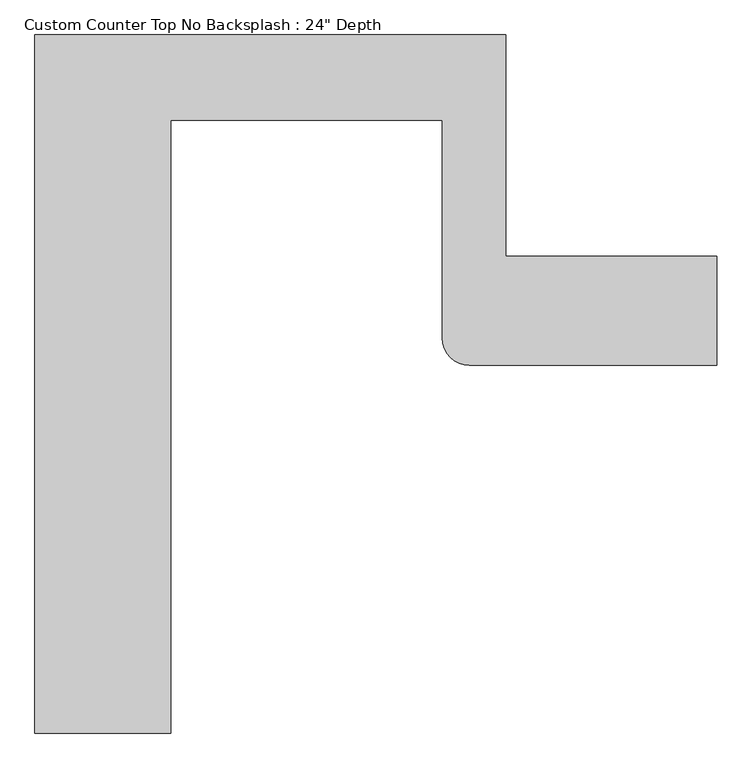
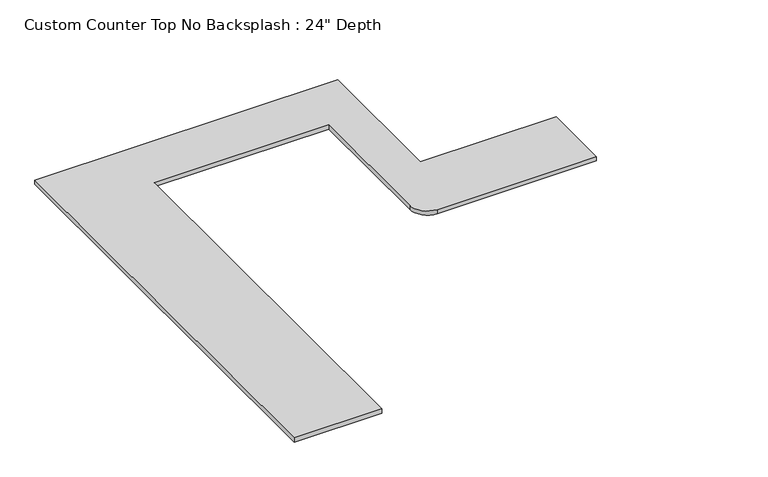
"""IFC4 building model written with IfcOpenShell, lengths in millimetres: furniture geometry."""

from ifc_helpers import new_model, si_unit, point, frame, frame_2d, origin, place, context, project, spatial, polyline, circle_curve, trimmed, segment, composite_curve, outline, extrude, source, transform, mapped, element, save


def furniture_3b617868(model_context):
    return source(origin(), model_context, "Body", "SweptSolid", [
        extrude(outline(composite_curve([segment(polyline([(1441.1377049, 0.0), (1441.1377049, -1243.33), (2626.7825825, -1243.33), (2626.7825825, -1852.93), (1237.9377049, -1852.93)]), True, "CONTINUOUS"), segment(trimmed(circle_curve(frame_2d((1237.9377049, -1700.53)), 152.4), [point((1237.9377049, -1852.93))], [point((1085.5377049, -1700.53))], False, "CARTESIAN"), True, "CONTINUOUS"), segment(polyline([(1085.5377049, -1700.53), (1085.5377049, -479.8364408), (-438.4622951, -479.8364408), (-438.4622951, -3917.95), (-1200.4622951, -3917.95), (-1200.4622951, 0.0), (1441.1377049, 0.0)]), True, "CONTINUOUS")], self_intersect=False)), frame((0.0, 0.0, 876.3), z_axis=(0.0, 0.0, 1.0), x_axis=(1.0, 0.0, 0.0)), (0.0, 0.0, 1.0), 38.1),
    ])


if __name__ == "__main__":
    model = new_model("IFC4")
    model_context = context("Model", 3, world=origin())
    ifc_project = project(units=[si_unit("LENGTHUNIT", "METRE", prefix="MILLI")], contexts=[model_context])
    site = spatial("IfcSite", under=ifc_project)
    building = spatial("IfcBuilding", under=site)
    placement = place(None, origin())
    furniture_shape = furniture_3b617868(model_context)
    element("IfcFurniture", 1, ObjectType="Custom Counter Top No Backsplash : 24\" Depth", at=placement, inside=building, context=model_context, shape_type="MappedRepresentation", body=[
        mapped(furniture_shape, transform((0.0, 0.0, 0.0), x_axis=(1.0, 0.0, 0.0), y_axis=(0.0, 1.0, 0.0), z_axis=(0.0, 0.0, 1.0))),
    ])
    save(model, "model.ifc")
